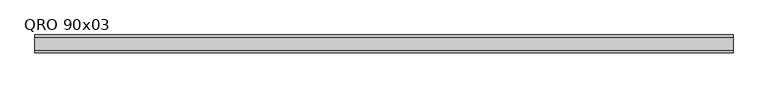
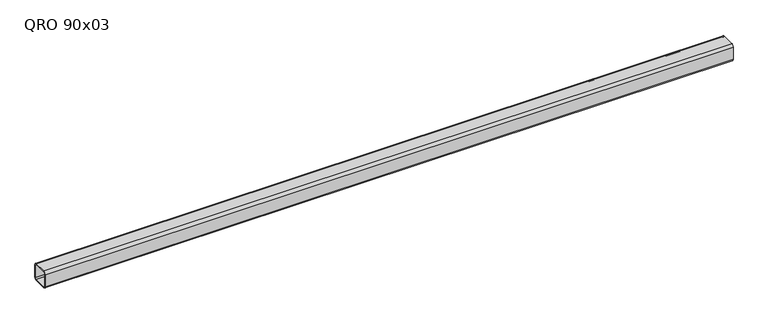
"""IFC4 building model written with IfcOpenShell, lengths in millimetres: beam geometry, QRO 90x03."""

from ifc_helpers import new_model, si_unit, point, frame, frame_2d, origin, place, context, project, spatial, polyline, circle_curve, trimmed, segment, composite_curve, outline, extrude, source, transform, mapped, element, save


def qro_90x03_bbaeeeba(model_context):
    return source(origin(), model_context, "Body", "SweptSolid", [
        extrude(outline(composite_curve([segment(polyline([(45.0, 33.0), (45.0, -33.0)]), True, "CONTINUOUS"), segment(trimmed(circle_curve(frame_2d((33.0, -33.0)), 12.0), [point((45.0, -33.0))], [point((33.0, -45.0))], False, "CARTESIAN"), True, "CONTINUOUS"), segment(polyline([(33.0, -45.0), (-33.0, -45.0)]), True, "CONTINUOUS"), segment(trimmed(circle_curve(frame_2d((-33.0, -33.0)), 12.0), [point((-33.0, -45.0))], [point((-45.0, -33.0))], False, "CARTESIAN"), True, "CONTINUOUS"), segment(polyline([(-45.0, -33.0), (-45.0, 33.0)]), True, "CONTINUOUS"), segment(trimmed(circle_curve(frame_2d((-33.0, 33.0)), 12.0), [point((-45.0, 33.0))], [point((-33.0, 45.0))], False, "CARTESIAN"), True, "CONTINUOUS"), segment(polyline([(-33.0, 45.0), (33.0, 45.0)]), True, "CONTINUOUS"), segment(trimmed(circle_curve(frame_2d((33.0, 33.0)), 12.0), [point((33.0, 45.0))], [point((45.0, 33.0))], False, "CARTESIAN"), True, "CONTINUOUS")], self_intersect=False), holes=[composite_curve([segment(trimmed(circle_curve(frame_2d((-33.0, 33.0)), 6.0), [point((-33.0, 39.0))], [point((-39.0, 33.0))], True, "CARTESIAN"), True, "CONTINUOUS"), segment(polyline([(-39.0, 33.0), (-39.0, -33.0)]), True, "CONTINUOUS"), segment(trimmed(circle_curve(frame_2d((-33.0, -33.0)), 6.0), [point((-39.0, -33.0))], [point((-33.0, -39.0))], True, "CARTESIAN"), True, "CONTINUOUS"), segment(polyline([(-33.0, -39.0), (33.0, -39.0)]), True, "CONTINUOUS"), segment(trimmed(circle_curve(frame_2d((33.0, -33.0)), 6.0), [point((33.0, -39.0))], [point((39.0, -33.0))], True, "CARTESIAN"), True, "CONTINUOUS"), segment(polyline([(39.0, -33.0), (39.0, 33.0)]), True, "CONTINUOUS"), segment(trimmed(circle_curve(frame_2d((33.0, 33.0)), 6.0), [point((39.0, 33.0))], [point((33.0, 39.0))], True, "CARTESIAN"), True, "CONTINUOUS"), segment(polyline([(33.0, 39.0), (-33.0, 39.0)]), True, "CONTINUOUS")], self_intersect=False)]), frame((-1705.8089265, 0.0, 0.0), z_axis=(1.0, 0.0, 0.0), x_axis=(0.0, 1.0, 0.0)), (0.0, 0.0, 1.0), 3522.1310523),
    ])


if __name__ == "__main__":
    model = new_model("IFC4")
    model_context = context("Model", 3, world=origin())
    ifc_project = project(units=[si_unit("LENGTHUNIT", "METRE", prefix="MILLI")], contexts=[model_context])
    site = spatial("IfcSite", under=ifc_project)
    building = spatial("IfcBuilding", under=site)
    placement = place(None, origin())
    qro_90x03_shape = qro_90x03_bbaeeeba(model_context)
    element("IfcBeam", 1, ObjectType="QRO 90x03", at=placement, inside=building, context=model_context, shape_type="MappedRepresentation", body=[
        mapped(qro_90x03_shape, transform((0.0, 0.0, 0.0), x_axis=(1.0, 0.0, 0.0), y_axis=(0.0, 1.0, 0.0), z_axis=(0.0, 0.0, 1.0))),
    ])
    save(model, "model.ifc")
